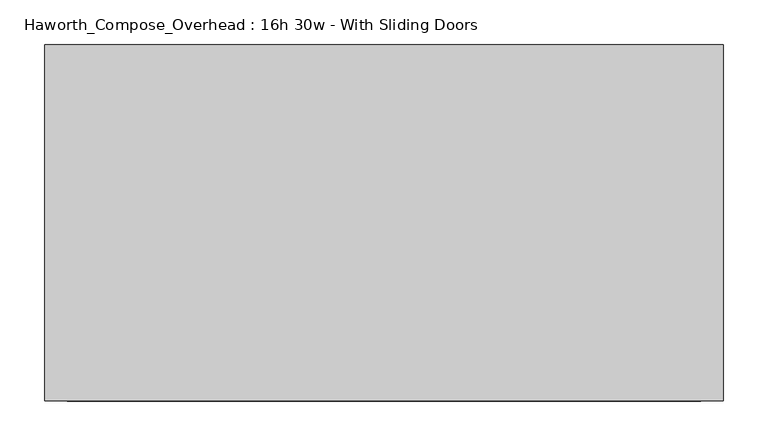
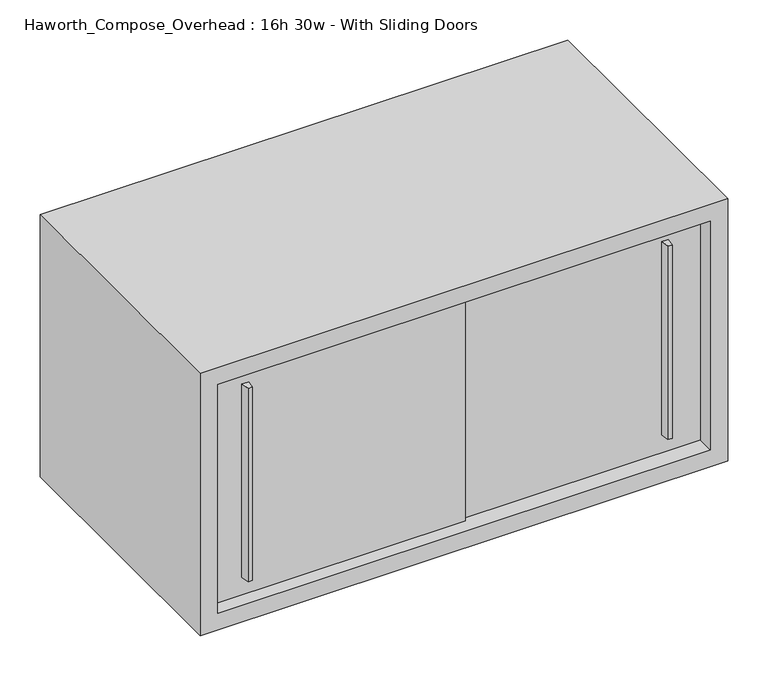
"""IFC4 building model written with IfcOpenShell, lengths in millimetres: furniture geometry, Haworth_Compose_Overhead : 16h 30w - With Sliding Doors."""

from ifc_helpers import new_model, si_unit, frame, origin, place, context, project, spatial, polyline, outline, extrude, source, transform, mapped, element, save


def haworth_compose_overhead_16h_30w_with_sliding_doors_9aa059ad(model_context):
    return source(origin(), model_context, "Body", "SweptSolid", [
        extrude(outline(polyline([(473.0750004, -387.3499879), (466.7249996, -387.3499879), (465.1375011, -374.65), (474.6624989, -374.65), (473.0750004, -387.3499879)])), frame((0.0, 0.0, 1322.3875), z_axis=(0.0, 0.0, 1.0), x_axis=(1.0, 0.0, 0.0)), (0.0, 0.0, 1.0), 295.275),
        extrude(outline(polyline([(-136.5249996, -393.6999879), (-142.8750004, -393.6999879), (-144.4624989, -381.0), (-134.9375011, -381.0), (-136.5249996, -393.6999879)])), frame((0.0, 0.0, 1322.3875), z_axis=(0.0, 0.0, 1.0), x_axis=(1.0, 0.0, 0.0)), (0.0, 0.0, 1.0), 295.275),
        extrude(outline(polyline([(-190.5, -374.65), (177.8, -374.65), (177.8, -381.0), (-190.5, -381.0), (-190.5, -374.65)])), frame((0.0, 0.0, 1295.4), z_axis=(0.0, 0.0, 1.0), x_axis=(1.0, 0.0, 0.0)), (0.0, 0.0, 1.0), 349.25),
        extrude(outline(polyline([(152.4, -368.3), (520.7, -368.3), (520.7, -374.65), (152.4, -374.65), (152.4, -368.3)])), frame((0.0, 0.0, 1295.4), z_axis=(0.0, 0.0, 1.0), x_axis=(1.0, 0.0, 0.0)), (0.0, 0.0, 1.0), 349.25),
        extrude(outline(polyline([(520.7, -6.35), (-190.5, -6.35), (-190.5, 0.0), (520.7, 0.0), (520.7, -6.35)])), frame((0.0, 0.0, 1295.4), z_axis=(0.0, 0.0, 1.0), x_axis=(1.0, 0.0, 0.0)), (0.0, 0.0, 1.0), 349.25),
        extrude(outline(polyline([(1270.0, 546.1), (1670.05, 546.1), (1670.05, -215.9), (1270.0, -215.9), (1270.0, 546.1)]), holes=[polyline([(1644.65, 520.7), (1295.4, 520.7), (1295.4, -190.5), (1644.65, -190.5), (1644.65, 520.7)])]), frame((0.0, -400.05, 0.0), z_axis=(0.0, 1.0, 0.0), x_axis=(0.0, 0.0, 1.0)), (0.0, 0.0, 1.0), 400.05),
    ])


if __name__ == "__main__":
    model = new_model("IFC4")
    model_context = context("Model", 3, world=origin())
    ifc_project = project(units=[si_unit("LENGTHUNIT", "METRE", prefix="MILLI")], contexts=[model_context])
    site = spatial("IfcSite", under=ifc_project)
    building = spatial("IfcBuilding", under=site)
    placement = place(None, origin())
    haworth_compose_overhead_16h_30w_with_sliding_doors_shape = haworth_compose_overhead_16h_30w_with_sliding_doors_9aa059ad(model_context)
    element("IfcFurniture", 1, ObjectType="Haworth_Compose_Overhead : 16h 30w - With Sliding Doors", at=placement, inside=building, context=model_context, shape_type="MappedRepresentation", body=[
        mapped(haworth_compose_overhead_16h_30w_with_sliding_doors_shape, transform((0.0, 0.0, 0.0), x_axis=(1.0, 0.0, 0.0), y_axis=(0.0, 1.0, 0.0), z_axis=(0.0, 0.0, 1.0))),
    ])
    save(model, "model.ifc")
